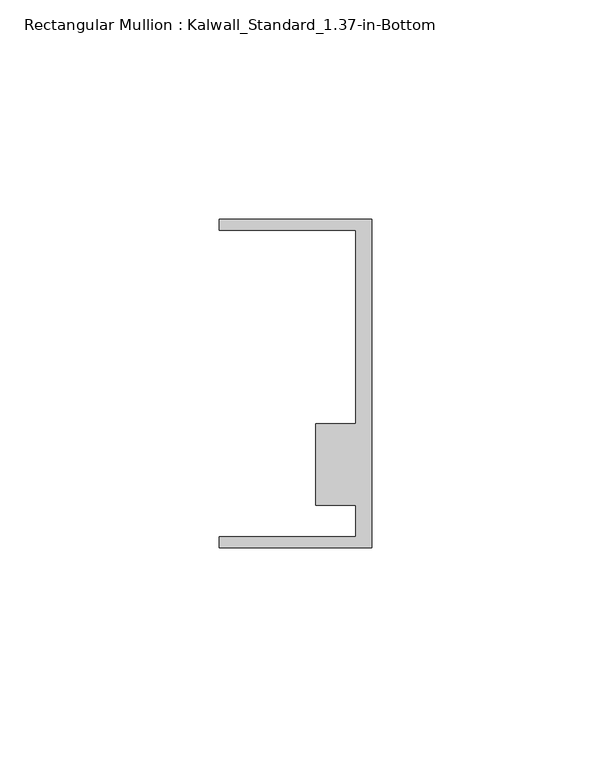
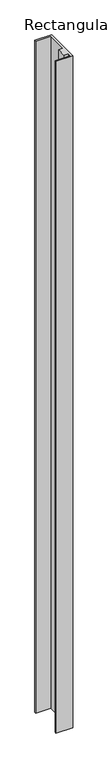
"""IFC4 building model written with IfcOpenShell, lengths in millimetres: member geometry, Rectangular Mullion : Kalwall_Standard_1.37-in-Bottom."""

from ifc_helpers import new_model, si_unit, frame, origin, place, context, project, spatial, polyline, outline, extrude, source, transform, mapped, element, save


def rectangular_mullion_kalwall_standard_1_37_in_bottom_7b879b76(model_context):
    return source(origin(), model_context, "Body", "SweptSolid", [
        extrude(outline(polyline([(0.0, -37.5776386), (-34.925, -37.5776386), (-34.925, -35.0376386), (-3.7084, -35.0376386), (-3.7084, -27.8888568), (-12.8272539, -27.8888568), (-12.8272539, -9.1879886), (-3.7084, -9.1879886), (-3.7084, 34.9623614), (-34.925, 34.9623614), (-34.925, 37.5023614), (0.0, 37.5023614), (0.0, -37.5776386)])), frame((0.0, 0.0, -1471.4209997), z_axis=(0.0, 0.0, 1.0), x_axis=(1.0, 0.0, 0.0)), (0.0, 0.0, 1.0), 1471.4209997),
    ])


if __name__ == "__main__":
    model = new_model("IFC4")
    model_context = context("Model", 3, world=origin())
    ifc_project = project(units=[si_unit("LENGTHUNIT", "METRE", prefix="MILLI")], contexts=[model_context])
    site = spatial("IfcSite", under=ifc_project)
    building = spatial("IfcBuilding", under=site)
    placement = place(None, origin())
    rectangular_mullion_kalwall_standard_1_37_in_bottom_shape = rectangular_mullion_kalwall_standard_1_37_in_bottom_7b879b76(model_context)
    element("IfcMember", 1, ObjectType="Rectangular Mullion : Kalwall_Standard_1.37-in-Bottom", at=placement, inside=building, context=model_context, shape_type="MappedRepresentation", body=[
        mapped(rectangular_mullion_kalwall_standard_1_37_in_bottom_shape, transform((0.0, 0.0, 0.0), x_axis=(1.0, 0.0, 0.0), y_axis=(0.0, 1.0, 0.0), z_axis=(0.0, 0.0, 1.0))),
    ])
    save(model, "model.ifc")
